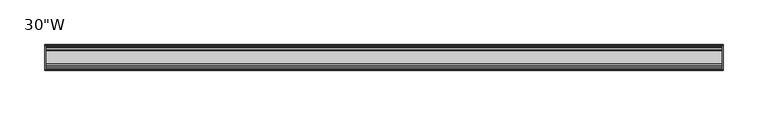
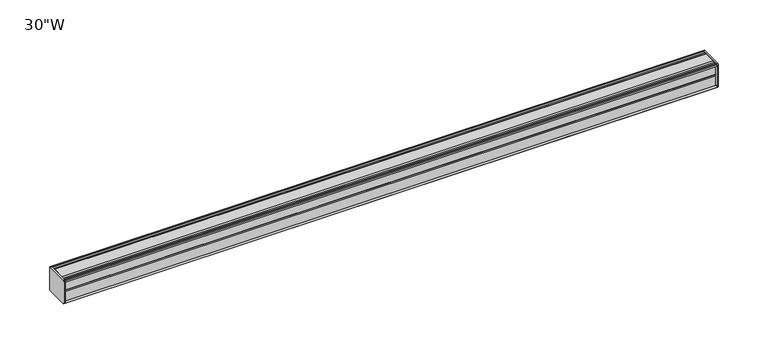
"""IFC4 building model written with IfcOpenShell, lengths in millimetres: furniture geometry."""

import ifcopenshell
import ifcopenshell.guid

model = None  # the IFC model being written
_history = None  # IfcOwnerHistory: only IFC2X3 demands one
_inside = {}  # id of a spatial element -> (the spatial element, [elements in it])
_under = {}  # id of a project, library or spatial element -> (it, [spatial elements below it])
_declared = {}  # id of a project -> (the project, [libraries it declares])
_typed = {}  # id of a type object -> (the type object, [elements of that type])
_made_of = {}  # id of a material, layer set ... -> (it, [elements and type objects made of it])


def new_model(schema):
    """Start an empty IFC model of exactly this schema.

    Asked for "IFC4X3", IfcOpenShell would pick the latest addendum, in which some entities
    have other attributes; the version numbers below select the first issue.
    IFC2X3 requires an IfcOwnerHistory on every rooted entity: one is made here for all.
    """
    global model, _history
    if schema == "IFC4X3":
        model = ifcopenshell.file(schema_version=(4, 3, 0, 0))
    else:
        model = ifcopenshell.file(schema=schema)
    _inside.clear()
    _under.clear()
    _declared.clear()
    _typed.clear()
    _made_of.clear()
    _history = None
    if model.schema == "IFC2X3":
        org = make("IfcOrganization", Name="unknown")
        user = make(
            "IfcPersonAndOrganization",
            ThePerson=make("IfcPerson", FamilyName="unknown"),
            TheOrganization=org,
        )
        app = make(
            "IfcApplication",
            ApplicationDeveloper=org,
            Version="unknown",
            ApplicationFullName="unknown",
            ApplicationIdentifier="unknown",
        )
        _history = make(
            "IfcOwnerHistory",
            OwningUser=user,
            OwningApplication=app,
            ChangeAction="ADDED",
            CreationDate=0,
        )
    return model


def make(cls, **values):
    """One entity of the class cls with the attributes given. An attribute that is None is left unset."""
    return model.create_entity(
        cls, **{name: value for name, value in values.items() if value is not None}
    )


def rooted(cls, **values):
    """An entity with a GlobalId (a new one), such as an element, a storey or a relation."""
    return make(cls, GlobalId=ifcopenshell.guid.new(), OwnerHistory=_history, **values)


def si_unit(unit_type, name, prefix=None):
    """IfcSIUnit, for example si_unit("LENGTHUNIT", "METRE", prefix="MILLI")."""
    return make("IfcSIUnit", UnitType=unit_type, Prefix=prefix, Name=name)


def assignment(units):
    """IfcUnitAssignment: the units of a project."""
    return None if units is None else make("IfcUnitAssignment", Units=units)


def point(xyz):
    """IfcCartesianPoint."""
    return None if xyz is None else make("IfcCartesianPoint", Coordinates=xyz)


def direction(xyz):
    """IfcDirection."""
    return None if xyz is None else make("IfcDirection", DirectionRatios=xyz)


def frame(location, z_axis=None, x_axis=None):
    """IfcAxis2Placement3D, a coordinate frame: its origin and axes. An axis left out is left unset."""
    return make(
        "IfcAxis2Placement3D",
        Location=point(location),
        Axis=direction(z_axis),
        RefDirection=direction(x_axis),
    )


def origin():
    """The frame at (0, 0, 0) with its axes left unset."""
    return frame((0.0, 0.0, 0.0))


def place(relative_to, where):
    """IfcLocalPlacement: puts the frame where relative to a parent placement (None: the world)."""
    return make(
        "IfcLocalPlacement", PlacementRelTo=relative_to, RelativePlacement=where
    )


def context(
    kind, dimensions, precision=None, world=None, true_north=None, identifier=None
):
    """IfcGeometricRepresentationContext, for example the 3D "Model" context."""
    return make(
        "IfcGeometricRepresentationContext",
        ContextIdentifier=identifier,
        ContextType=kind,
        CoordinateSpaceDimension=dimensions,
        Precision=precision,
        WorldCoordinateSystem=world,
        TrueNorth=true_north,
    )


def project(units=None, contexts=None):
    """IfcProject with its units and contexts."""
    return rooted(
        "IfcProject",
        Name="project",
        RepresentationContexts=contexts,
        UnitsInContext=assignment(units),
    )


def spatial(cls, under=None, at=None, **own):
    """A site, building, storey or space (cls), placed at a placement, below another one or the project."""
    s = rooted(cls, ObjectPlacement=at, **own)
    if under is not None:
        _under.setdefault(under.id(), (under, []))[1].append(s)
    return s


def circle_curve(where, radius):
    """IfcCircle in the frame where."""
    return make("IfcCircle", Position=where, Radius=radius)


def shape(context_of_items, identifier, shape_type, items):
    """IfcShapeRepresentation: the items that make up one representation, for example the "Body"."""
    return make(
        "IfcShapeRepresentation",
        ContextOfItems=context_of_items,
        RepresentationIdentifier=identifier,
        RepresentationType=shape_type,
        Items=items,
    )


def source(mapping_origin, context_of_items, identifier, shape_type, items):
    """IfcRepresentationMap: a shape defined once, which mapped items show again and again."""
    return make(
        "IfcRepresentationMap",
        MappingOrigin=mapping_origin,
        MappedRepresentation=shape(context_of_items, identifier, shape_type, items),
    )


def transform(
    local_origin,
    x_axis=None,
    y_axis=None,
    z_axis=None,
    scale=None,
    scale2=None,
    scale3=None,
    uniform=True,
):
    """IfcCartesianTransformationOperator3D, or its non-uniform kind. x_axis, y_axis, z_axis: its Axis1, 2, 3."""
    if uniform:
        return make(
            "IfcCartesianTransformationOperator3D",
            Axis1=direction(x_axis),
            Axis2=direction(y_axis),
            LocalOrigin=point(local_origin),
            Scale=scale,
            Axis3=direction(z_axis),
        )
    return make(
        "IfcCartesianTransformationOperator3DnonUniform",
        Axis1=direction(x_axis),
        Axis2=direction(y_axis),
        LocalOrigin=point(local_origin),
        Scale=scale,
        Axis3=direction(z_axis),
        Scale2=scale2,
        Scale3=scale3,
    )


def mapped(mapping_source, mapping_target):
    """IfcMappedItem: shows the shape of a source again, moved by a transform."""
    return make(
        "IfcMappedItem", MappingSource=mapping_source, MappingTarget=mapping_target
    )


def made_of(thing, what):
    """Note that an element or type object is made of a material, layer set ...; save() writes the relation."""
    if what is not None:
        _made_of.setdefault(what.id(), (what, []))[1].append(thing)
    return thing


def element(
    cls,
    number,
    at=None,
    inside=None,
    cuts=None,
    type_object=None,
    material=None,
    context=None,
    identifier="Body",
    shape_type=None,
    held_by="IfcProductDefinitionShape",
    body=None,
    shapes=None,
    **own,
):
    """One element of the class cls, such as IfcWall. Its Tag is "e" and its number.

    at: its placement. inside: the storey or other place that contains it. cuts: it is an
    opening in that element (IfcRelVoidsElement). A single representation is given by context,
    identifier, shape_type and body (its items); several are given by shapes. held_by: the class
    of the entity that holds the representations. save() writes the other relations.
    """
    e = rooted(cls, Tag="e%d" % number, ObjectPlacement=at, **own)
    if body is not None:
        shapes = [shape(context, identifier, shape_type, body)]
    if shapes is not None:
        e.Representation = make(held_by, Representations=shapes)
    if inside is not None:
        _inside.setdefault(inside.id(), (inside, []))[1].append(e)
    if cuts is not None:
        rooted(
            "IfcRelVoidsElement", RelatingBuildingElement=cuts, RelatedOpeningElement=e
        )
    if type_object is not None:
        _typed.setdefault(type_object.id(), (type_object, []))[1].append(e)
    return made_of(e, material)


def aggregate(whole, parts):
    """IfcRelAggregates: a whole, such as a stair, and the parts it consists of."""
    return rooted("IfcRelAggregates", RelatingObject=whole, RelatedObjects=parts)


def save(model, path):
    """Write the relations noted so far, then the file.

    IfcRelAggregates (storeys below a building ...), IfcRelContainedInSpatialStructure (elements
    in a storey), IfcRelDefinesByType, IfcRelAssociatesMaterial and IfcRelDeclares: one each for
    every whole, place, type object, material and project.
    """
    for whole, parts in _under.values():
        aggregate(whole, parts)
    for where, things in _inside.values():
        rooted(
            "IfcRelContainedInSpatialStructure",
            RelatedElements=things,
            RelatingStructure=where,
        )
    for kind, things in _typed.values():
        rooted("IfcRelDefinesByType", RelatedObjects=things, RelatingType=kind)
    for what, things in _made_of.values():
        rooted("IfcRelAssociatesMaterial", RelatedObjects=things, RelatingMaterial=what)
    for by, libraries in _declared.values():
        rooted("IfcRelDeclares", RelatingContext=by, RelatedDefinitions=libraries)
    model.write(path)


def plane_surface(at):
    """IfcPlane: the flat surface through the origin of the frame at, square to its z axis."""
    return make("IfcPlane", Position=at)


def cylinder_surface(at, radius):
    """IfcCylindricalSurface: all points at the distance radius from the z axis of the frame at."""
    return make("IfcCylindricalSurface", Position=at, Radius=radius)


def advanced_brep(points, edges, surfaces, faces):
    """IfcAdvancedBrep: a solid bounded by faces that lie on surfaces and meet in shared edges.

    An edge is (start, end): straight between two places in points (the first is 0);
    or (start, end, curve); or (start, end, curve, False) where it runs against its curve.
    A face is (place in surfaces, loops), or (place, loops, False) where it looks against
    its surface's normal. A loop lists edges by number (the first is 1), with a minus sign
    where the edge is run from its end to its start. The first loop is the outer one.
    """
    corners = [point(p) for p in points]
    vertices = [make("IfcVertexPoint", VertexGeometry=c) for c in corners]
    made = []
    for start, end, *more in edges:
        made.append(
            make(
                "IfcEdgeCurve",
                EdgeStart=vertices[start],
                EdgeEnd=vertices[end],
                EdgeGeometry=more[0] if more else make("IfcPolyline", Points=[corners[start], corners[end]]),
                SameSense=more[1] if len(more) > 1 else True,
            )
        )
    hull = []
    for where, loops, *sense in faces:
        bounds = []
        for j, loop in enumerate(loops):
            ring = [make("IfcOrientedEdge", EdgeElement=made[abs(k) - 1], Orientation=k > 0) for k in loop]
            bounds.append(
                make(
                    "IfcFaceOuterBound" if j == 0 else "IfcFaceBound",
                    Bound=make("IfcEdgeLoop", EdgeList=ring),
                    Orientation=True,
                )
            )
        hull.append(make("IfcAdvancedFace", Bounds=bounds, FaceSurface=surfaces[where], SameSense=sense[0] if sense else True))
    return make("IfcAdvancedBrep", Outer=make("IfcClosedShell", CfsFaces=hull))


def furniture_d90596bb(model_context):
    return source(origin(), model_context, "Body", "AdvancedBrep", [
        advanced_brep(
        [(379.4125, 14.5851562, 1246.9436262), (379.4125, 14.5851562, 1220.7932877), (379.4125, 14.4138595, 1219.9873997), (379.4125, 13.8374434, 1219.4109837), (379.4125, 12.9019306, 1219.1603131), (379.4125, -13.4067434, 1219.1603131), (379.4125, -14.3040014, 1220.0575711), (379.4125, -14.5851563, 1220.8259798), (379.4125, -14.5851563, 1246.7443327), (379.4125, -14.3040014, 1247.5127414), (379.4125, -13.4464303, 1248.3703125), (379.4125, 13.0500437, 1248.3703125), (379.4125, 13.8374434, 1248.1593288), (379.4125, 14.4138595, 1247.5829128), (381.0, 14.6248431, 1246.7955131), (381.0, 14.4138595, 1247.5829128), (381.0, 13.8374434, 1248.1593288), (381.0, 13.0500437, 1248.3703125), (381.0, -13.4464303, 1248.3703125), (381.0, -14.3040014, 1247.5127414), (381.0, -14.5851563, 1246.7443327), (381.0, -14.5851563, 1220.8259798), (381.0, -14.3040014, 1220.0575711), (381.0, -13.4067434, 1219.1603131), (381.0, 12.9019306, 1219.1603131), (381.0, 13.8374434, 1219.4109837), (381.0, 14.4138595, 1219.9873997), (381.0, 14.5851562, 1220.7932877)],
        [
            (0, 1),
            (1, 2),
            (2, 3),
            (3, 4),
            (4, 5),
            (5, 6),
            (6, 7, circle_curve(frame((379.4125, -13.3945313, 1220.8259798), z_axis=(-1.0, 0.0, 0.0), x_axis=(0.0, 1.0, 0.0)), 1.190625)),
            (7, 8),
            (8, 9, circle_curve(frame((379.4125, -13.3945313, 1246.7443327), z_axis=(-1.0, 0.0, 0.0), x_axis=(0.0, 1.0, 0.0)), 1.190625)),
            (9, 10),
            (10, 11),
            (11, 12),
            (12, 13),
            (13, 0),
            (14, 15),
            (15, 16),
            (16, 17),
            (17, 18),
            (18, 19),
            (19, 20, circle_curve(frame((381.0, -13.3945313, 1246.7443327), z_axis=(1.0, 0.0, 0.0), x_axis=(0.0, 1.0, 0.0)), 1.190625)),
            (20, 21),
            (21, 22, circle_curve(frame((381.0, -13.3945313, 1220.8259798), z_axis=(1.0, 0.0, 0.0), x_axis=(0.0, 1.0, 0.0)), 1.190625)),
            (22, 23),
            (23, 24),
            (24, 25),
            (25, 26),
            (26, 27),
            (27, 14),
            (13, 15),
            (14, 0),
            (12, 16),
            (11, 17),
            (10, 18),
            (9, 19),
            (8, 20),
            (7, 21),
            (6, 22),
            (5, 23),
            (4, 24),
            (3, 25),
            (2, 26),
            (1, 27),
        ],
        [
            plane_surface(frame((379.4125, 14.5851562, 1220.7932877), z_axis=(-1.0, 0.0, 0.0), x_axis=(0.0, 0.0, -1.0))),
            plane_surface(frame((381.0, 14.5851562, 1220.7932877), z_axis=(1.0, 0.0, 0.0), x_axis=(0.0, 0.0, 1.0))),
            plane_surface(frame((379.4125, 14.4138595, 1247.5829128), z_axis=(0.0, 0.9659256560349851, 0.25881968049857335), x_axis=(1.0, 0.0, 0.0))),
            plane_surface(frame((379.4125, 13.8374434, 1248.1593288), z_axis=(0.0, 0.7071067811866345, 0.7071067811864606), x_axis=(1.0, 0.0, 0.0))),
            plane_surface(frame((379.4125, 13.0500437, 1248.3703125), z_axis=(0.0, 0.2588196804711877, 0.9659256560423232), x_axis=(1.0, 0.0, 0.0))),
            plane_surface(frame((379.4125, -13.4464303, 1248.3703125), z_axis=(0.0, 0.0, 1.0), x_axis=(1.0, 0.0, 0.0))),
            plane_surface(frame((379.4125, -14.3040014, 1247.5127414), z_axis=(0.0, -0.70710678117674, 0.7071067811963553), x_axis=(1.0, 0.0, 0.0))),
            cylinder_surface(frame((381.0, -13.3945313, 1246.7443327), z_axis=(-1.0, 0.0, 0.0), x_axis=(0.0, 1.0, 0.0)), 1.190625),
            plane_surface(frame((379.4125, -14.5851563, 1220.8259798), z_axis=(0.0, -1.0, 0.0), x_axis=(1.0, 0.0, 0.0))),
            cylinder_surface(frame((381.0, -13.3945313, 1220.8259798), z_axis=(-1.0, 0.0, 0.0), x_axis=(0.0, 1.0, 0.0)), 1.190625),
            plane_surface(frame((379.4125, -13.4067434, 1219.1603131), z_axis=(0.0, -0.7071067811916553, -0.7071067811814398), x_axis=(1.0, 0.0, 0.0))),
            plane_surface(frame((379.4125, 12.9019306, 1219.1603131), z_axis=(0.0, 0.0, -1.0), x_axis=(1.0, 0.0, 0.0))),
            plane_surface(frame((379.4125, 13.8374434, 1219.4109837), z_axis=(0.0, 0.2588196804985645, -0.9659256560349875), x_axis=(1.0, 0.0, 0.0))),
            plane_surface(frame((379.4125, 14.4138595, 1219.9873997), z_axis=(0.0, 0.7071067811865204, -0.7071067811865748), x_axis=(1.0, 0.0, 0.0))),
            plane_surface(frame((379.4125, 14.5851562, 1220.7932877), z_axis=(0.0, 0.9781476007310527, -0.207911690830711), x_axis=(1.0, 0.0, 0.0))),
            plane_surface(frame((379.4125, 14.5851562, 1246.9436262), z_axis=(0.0, 1.0, 0.0), x_axis=(1.0, 0.0, 0.0))),
        ],
        [
            (0, [[1, 2, 3, 4, 5, 6, 7, 8, 9, 10, 11, 12, 13, 14]]),
            (1, [[15, 16, 17, 18, 19, 20, 21, 22, 23, 24, 25, 26, 27, 28]]),
            (2, [[-14, 29, -15, 30]]),
            (3, [[-13, 31, -16, -29]]),
            (4, [[-12, 32, -17, -31]]),
            (5, [[-11, 33, -18, -32]]),
            (6, [[-10, 34, -19, -33]]),
            (7, [[-9, 35, -20, -34]]),
            (8, [[-8, 36, -21, -35]]),
            (9, [[-7, 37, -22, -36]]),
            (10, [[-6, 38, -23, -37]]),
            (11, [[-5, 39, -24, -38]]),
            (12, [[-4, 40, -25, -39]]),
            (13, [[-3, 41, -26, -40]]),
            (14, [[-2, 42, -27, -41]]),
            (15, [[-1, -30, -28, -42]]),
        ],
    ),
        advanced_brep(
        [(-379.4125, 14.6248431, 1246.7955131), (-379.4125, 14.4138595, 1247.5829128), (-379.4125, 13.8374434, 1248.1593288), (-379.4125, 13.0500437, 1248.3703125), (-379.4125, -13.4464303, 1248.3703125), (-379.4125, -14.3040014, 1247.5127414), (-379.4125, -14.5851563, 1246.7443327), (-379.4125, -14.5851563, 1220.8259798), (-379.4125, -14.3040014, 1220.0575711), (-379.4125, -13.4067434, 1219.1603131), (-379.4125, 12.9019306, 1219.1603131), (-379.4125, 13.8374434, 1219.4109837), (-379.4125, 14.4138595, 1219.9873997), (-379.4125, 14.5851562, 1220.7932877), (-381.0, 14.5851562, 1246.9436262), (-381.0, 14.5851562, 1220.7932877), (-381.0, 14.4138595, 1219.9873997), (-381.0, 13.8374434, 1219.4109837), (-381.0, 12.9019306, 1219.1603131), (-381.0, -13.4067434, 1219.1603131), (-381.0, -14.3040014, 1220.0575711), (-381.0, -14.5851563, 1220.8259798), (-381.0, -14.5851563, 1246.7443327), (-381.0, -14.3040014, 1247.5127414), (-381.0, -13.4464303, 1248.3703125), (-381.0, 13.0500437, 1248.3703125), (-381.0, 13.8374434, 1248.1593288), (-381.0, 14.4138595, 1247.5829128)],
        [
            (0, 1),
            (1, 2),
            (2, 3),
            (3, 4),
            (4, 5),
            (5, 6, circle_curve(frame((-379.4125, -13.3945313, 1246.7443327), z_axis=(1.0, 0.0, 0.0), x_axis=(0.0, 1.0, 0.0)), 1.190625)),
            (6, 7),
            (7, 8, circle_curve(frame((-379.4125, -13.3945313, 1220.8259798), z_axis=(1.0, 0.0, 0.0), x_axis=(0.0, 1.0, 0.0)), 1.190625)),
            (8, 9),
            (9, 10),
            (10, 11),
            (11, 12),
            (12, 13),
            (13, 0),
            (14, 15),
            (15, 16),
            (16, 17),
            (17, 18),
            (18, 19),
            (19, 20),
            (20, 21, circle_curve(frame((-381.0, -13.3945313, 1220.8259798), z_axis=(-1.0, 0.0, 0.0), x_axis=(0.0, 1.0, 0.0)), 1.190625)),
            (21, 22),
            (22, 23, circle_curve(frame((-381.0, -13.3945313, 1246.7443327), z_axis=(-1.0, 0.0, 0.0), x_axis=(0.0, 1.0, 0.0)), 1.190625)),
            (23, 24),
            (24, 25),
            (25, 26),
            (26, 27),
            (27, 14),
            (0, 14),
            (27, 1),
            (26, 2),
            (25, 3),
            (24, 4),
            (23, 5),
            (22, 6),
            (21, 7),
            (20, 8),
            (19, 9),
            (18, 10),
            (17, 11),
            (16, 12),
            (15, 13),
        ],
        [
            plane_surface(frame((-379.4125, 14.6248431, 1246.7955131), z_axis=(1.0, 0.0, 0.0), x_axis=(0.0, -0.2588196804389644, 0.9659256560509574))),
            plane_surface(frame((-381.0, 14.6248431, 1246.7955131), z_axis=(-1.0, 0.0, 0.0), x_axis=(0.0, 0.2588196804389644, -0.9659256560509574))),
            plane_surface(frame((-379.4125, 14.6248431, 1246.7955131), z_axis=(0.0, 0.9659256560509574, 0.2588196804389644), x_axis=(-1.0, 0.0, 0.0))),
            plane_surface(frame((-379.4125, 14.4138595, 1247.5829128), z_axis=(0.0, 0.7071067810674612, 0.7071067813056339), x_axis=(-1.0, 0.0, 0.0))),
            plane_surface(frame((-379.4125, 13.8374434, 1248.1593288), z_axis=(0.0, 0.2588196804841774, 0.9659256560388426), x_axis=(-1.0, 0.0, 0.0))),
            plane_surface(frame((-379.4125, 13.0500437, 1248.3703125), z_axis=(0.0, 0.0, 1.0), x_axis=(-1.0, 0.0, 0.0))),
            plane_surface(frame((-379.4125, -13.4464303, 1248.3703125), z_axis=(0.0, -0.7071067811883577, 0.7071067811847374), x_axis=(-1.0, 0.0, 0.0))),
            cylinder_surface(frame((-381.0, -13.3945313, 1246.7443327), z_axis=(1.0, 0.0, 0.0), x_axis=(0.0, 1.0, 0.0)), 1.190625),
            plane_surface(frame((-379.4125, -14.5851563, 1246.7443327), z_axis=(0.0, -1.0, 0.0), x_axis=(-1.0, 0.0, 0.0))),
            cylinder_surface(frame((-381.0, -13.3945313, 1220.8259798), z_axis=(1.0, 0.0, 0.0), x_axis=(0.0, 1.0, 0.0)), 1.190625),
            plane_surface(frame((-379.4125, -14.3040014, 1220.0575711), z_axis=(0.0, -0.707106781186535, -0.7071067811865601), x_axis=(-1.0, 0.0, 0.0))),
            plane_surface(frame((-379.4125, -13.4067434, 1219.1603131), z_axis=(0.0, 0.0, -1.0), x_axis=(-1.0, 0.0, 0.0))),
            plane_surface(frame((-379.4125, 12.9019306, 1219.1603131), z_axis=(0.0, 0.25881968049856513, -0.9659256560349874), x_axis=(-1.0, 0.0, 0.0))),
            plane_surface(frame((-379.4125, 13.8374434, 1219.4109837), z_axis=(0.0, 0.707106781186519, -0.7071067811865761), x_axis=(-1.0, 0.0, 0.0))),
            plane_surface(frame((-379.4125, 14.4138595, 1219.9873997), z_axis=(0.0, 0.9781476007314348, -0.20791169082891317), x_axis=(-1.0, 0.0, 0.0))),
            plane_surface(frame((-379.4125, 14.5851562, 1220.7932877), z_axis=(0.0, 1.0, 0.0), x_axis=(-1.0, 0.0, 0.0))),
        ],
        [
            (0, [[1, 2, 3, 4, 5, 6, 7, 8, 9, 10, 11, 12, 13, 14]]),
            (1, [[15, 16, 17, 18, 19, 20, 21, 22, 23, 24, 25, 26, 27, 28]]),
            (2, [[-1, 29, -28, 30]]),
            (3, [[-2, -30, -27, 31]]),
            (4, [[-3, -31, -26, 32]]),
            (5, [[-4, -32, -25, 33]]),
            (6, [[-5, -33, -24, 34]]),
            (7, [[-6, -34, -23, 35]]),
            (8, [[-7, -35, -22, 36]]),
            (9, [[-8, -36, -21, 37]]),
            (10, [[-9, -37, -20, 38]]),
            (11, [[-10, -38, -19, 39]]),
            (12, [[-11, -39, -18, 40]]),
            (13, [[-12, -40, -17, 41]]),
            (14, [[-13, -41, -16, 42]]),
            (15, [[-14, -42, -15, -29]]),
        ],
    ),
        advanced_brep(
        [(379.4125, -7.3748315, 1248.3703125), (379.4125, -8.9105708, 1247.3395796), (379.4125, -10.7601399, 1247.3395796), (379.4125, -12.2958792, 1248.3703125), (379.4125, -13.4464303, 1248.3703125), (379.4125, -14.3040014, 1247.5127414), (379.4125, -13.3945313, 1245.5537077), (379.4125, -13.3945313, 1246.465312), (379.4125, -12.2039063, 1246.465312), (379.4125, -12.2039063, 1234.5590632), (379.4125, -11.4101564, 1233.7653134), (379.4125, -12.2039063, 1232.9715636), (379.4125, -12.2039063, 1221.0653131), (379.4125, -13.3945313, 1221.0653131), (379.4125, -13.3945313, 1222.0166048), (379.4125, -14.3040014, 1220.0575711), (379.4125, -13.4067434, 1219.1603131), (379.4125, -12.2958792, 1219.1603131), (379.4125, -10.7601399, 1220.1910471), (379.4125, -8.9105708, 1220.1910471), (379.4125, -7.4339628, 1219.2), (379.4125, 7.4145184, 1219.2), (379.4125, 8.9502576, 1220.2307329), (379.4125, 10.7998291, 1220.2307329), (379.4125, 12.2275037, 1219.2), (379.4125, 13.0500437, 1219.2), (379.4125, 13.8374434, 1219.4109837), (379.4125, 14.4138595, 1219.9873997), (379.4125, 14.5851562, 1220.7932877), (379.4125, 14.5851562, 1246.9436262), (379.4125, 14.4138595, 1247.5829128), (379.4125, 13.8374434, 1248.1593288), (379.4125, 13.0500437, 1248.3703125), (379.4125, 12.2275037, 1248.3703125), (379.4125, 10.7998291, 1247.3395796), (379.4125, 8.9502576, 1247.3395796), (379.4125, 7.4145184, 1248.3703125), (-379.4125, -7.3748315, 1248.3703125), (-379.4125, 7.4145184, 1248.3703125), (-379.4125, 8.9502576, 1247.3395796), (-379.4125, 10.7998291, 1247.3395796), (-379.4125, 12.2275037, 1248.3703125), (-379.4125, 13.0500437, 1248.3703125), (-379.4125, 13.8374434, 1248.1593288), (-379.4125, 14.4138595, 1247.5829128), (-379.4125, 14.6248431, 1246.7955131), (-379.4125, 14.5851562, 1220.7932877), (-379.4125, 14.4138595, 1219.9873997), (-379.4125, 13.8374434, 1219.4109837), (-379.4125, 13.0500437, 1219.2), (-379.4125, 12.2275037, 1219.2), (-379.4125, 10.7998291, 1220.2307329), (-379.4125, 8.9502576, 1220.2307329), (-379.4125, 7.4145184, 1219.2), (-379.4125, -7.4339628, 1219.2), (-379.4125, -8.9105708, 1220.1910471), (-379.4125, -10.7601399, 1220.1910471), (-379.4125, -12.2958792, 1219.1603131), (-379.4125, -13.4067434, 1219.1603131), (-379.4125, -14.3040014, 1220.0575711), (-379.4125, -13.3945313, 1222.0166048), (-379.4125, -13.3945313, 1221.0653131), (-379.4125, -12.2039063, 1221.0653131), (-379.4125, -12.2039063, 1232.9715636), (-379.4125, -11.4101564, 1233.7653134), (-379.4125, -12.2039063, 1234.5590632), (-379.4125, -12.2039063, 1246.465312), (-379.4125, -13.3945313, 1246.465312), (-379.4125, -13.3945313, 1245.5537077), (-379.4125, -14.3040014, 1247.5127414), (-379.4125, -13.4464303, 1248.3703125), (-379.4125, -12.2958792, 1248.3703125), (-379.4125, -10.7601399, 1247.3395796), (-379.4125, -8.9105708, 1247.3395796)],
        [
            (0, 1),
            (1, 2),
            (2, 3),
            (3, 4),
            (4, 5),
            (5, 6, circle_curve(frame((379.4125, -13.3945313, 1246.7443327), z_axis=(1.0, 0.0, 0.0), x_axis=(0.0, 1.0, 0.0)), 1.190625)),
            (6, 7),
            (7, 8),
            (8, 9),
            (9, 10),
            (10, 11),
            (11, 12),
            (12, 13),
            (13, 14),
            (14, 15, circle_curve(frame((379.4125, -13.3945313, 1220.8259798), z_axis=(1.0, 0.0, 0.0), x_axis=(0.0, 1.0, 0.0)), 1.190625)),
            (15, 16),
            (16, 17),
            (17, 18),
            (18, 19),
            (19, 20),
            (20, 21),
            (21, 22),
            (22, 23),
            (23, 24),
            (24, 25),
            (25, 26),
            (26, 27),
            (27, 28),
            (28, 29),
            (29, 30),
            (30, 31),
            (31, 32),
            (32, 33),
            (33, 34),
            (34, 35),
            (35, 36),
            (36, 0),
            (37, 38),
            (38, 39),
            (39, 40),
            (40, 41),
            (41, 42),
            (42, 43),
            (43, 44),
            (44, 45),
            (45, 46),
            (46, 47),
            (47, 48),
            (48, 49),
            (49, 50),
            (50, 51),
            (51, 52),
            (52, 53),
            (53, 54),
            (54, 55),
            (55, 56),
            (56, 57),
            (57, 58),
            (58, 59),
            (59, 60, circle_curve(frame((-379.4125, -13.3945313, 1220.8259798), z_axis=(-1.0, 0.0, 0.0), x_axis=(0.0, 1.0, 0.0)), 1.190625)),
            (60, 61),
            (61, 62),
            (62, 63),
            (63, 64),
            (64, 65),
            (65, 66),
            (66, 67),
            (67, 68),
            (68, 69, circle_curve(frame((-379.4125, -13.3945313, 1246.7443327), z_axis=(-1.0, 0.0, 0.0), x_axis=(0.0, 1.0, 0.0)), 1.190625)),
            (69, 70),
            (70, 71),
            (71, 72),
            (72, 73),
            (73, 37),
            (0, 37),
            (73, 1),
            (72, 2),
            (71, 3),
            (70, 4),
            (69, 5),
            (68, 6),
            (67, 7),
            (66, 8),
            (65, 9),
            (64, 10),
            (63, 11),
            (62, 12),
            (61, 13),
            (60, 14),
            (59, 15),
            (58, 16),
            (57, 17),
            (56, 18),
            (55, 19),
            (54, 20),
            (53, 21),
            (52, 22),
            (51, 23),
            (50, 24),
            (49, 25),
            (48, 26),
            (47, 27),
            (46, 28),
            (45, 29),
            (44, 30),
            (43, 31),
            (42, 32),
            (41, 33),
            (40, 34),
            (39, 35),
            (38, 36),
        ],
        [
            plane_surface(frame((379.4125, -7.3748315, 1248.3703125), z_axis=(1.0, 0.0, 0.0), x_axis=(0.0, -0.8303227972603312, -0.5572827400429506))),
            plane_surface(frame((-379.4125, -7.3748315, 1248.3703125), z_axis=(-1.0, 0.0, 0.0), x_axis=(0.0, 0.8303227972603312, 0.5572827400429506))),
            plane_surface(frame((379.4125, -7.3748315, 1248.3703125), z_axis=(0.0, -0.5572827400429506, 0.8303227972603312), x_axis=(-1.0, 0.0, 0.0))),
            plane_surface(frame((379.4125, -8.9105708, 1247.3395796), z_axis=(0.0, 0.0, 1.0), x_axis=(-1.0, 0.0, 0.0))),
            plane_surface(frame((379.4125, -10.7601399, 1247.3395796), z_axis=(0.0, 0.557282740042951, 0.8303227972603311), x_axis=(-1.0, 0.0, 0.0))),
            plane_surface(frame((379.4125, -12.2958792, 1248.3703125), z_axis=(0.0, 0.0, 1.0), x_axis=(-1.0, 0.0, 0.0))),
            plane_surface(frame((379.4125, -13.4464303, 1248.3703125), z_axis=(0.0, -0.7071067811814327, 0.7071067811916624), x_axis=(-1.0, 0.0, 0.0))),
            cylinder_surface(frame((-379.4125, -13.3945313, 1246.7443327), z_axis=(1.0, 0.0, 0.0), x_axis=(0.0, 1.0, 0.0)), 1.190625),
            plane_surface(frame((379.4125, -13.3945313, 1245.5537077), z_axis=(0.0, 1.0, 0.0), x_axis=(-1.0, 0.0, 0.0))),
            plane_surface(frame((379.4125, -13.3945313, 1246.465312), z_axis=(0.0, 0.0, -1.0), x_axis=(-1.0, 0.0, 0.0))),
            plane_surface(frame((379.4125, -12.2039063, 1246.465312), z_axis=(0.0, -1.0, 0.0), x_axis=(-1.0, 0.0, 0.0))),
            plane_surface(frame((379.4125, -12.2039063, 1234.5590632), z_axis=(0.0, -0.7071067811865146, -0.7071067811865805), x_axis=(-1.0, 0.0, 0.0))),
            plane_surface(frame((379.4125, -11.4101564, 1233.7653134), z_axis=(0.0, -0.7071067811865522, 0.7071067811865428), x_axis=(-1.0, 0.0, 0.0))),
            plane_surface(frame((379.4125, -12.2039063, 1232.9715636), z_axis=(0.0, -1.0, 0.0), x_axis=(-1.0, 0.0, 0.0))),
            plane_surface(frame((379.4125, -12.2039063, 1221.0653131), z_axis=(0.0, 0.0, 1.0), x_axis=(-1.0, 0.0, 0.0))),
            plane_surface(frame((379.4125, -13.3945313, 1221.0653131), z_axis=(0.0, 1.0, 0.0), x_axis=(-1.0, 0.0, 0.0))),
            cylinder_surface(frame((-379.4125, -13.3945313, 1220.8259798), z_axis=(1.0, 0.0, 0.0), x_axis=(0.0, 1.0, 0.0)), 1.190625),
            plane_surface(frame((379.4125, -14.3040014, 1220.0575711), z_axis=(0.0, -0.7071067811865901, -0.707106781186505), x_axis=(-1.0, 0.0, 0.0))),
            plane_surface(frame((379.4125, -13.4067434, 1219.1603131), z_axis=(0.0, 0.0, -1.0), x_axis=(-1.0, 0.0, 0.0))),
            plane_surface(frame((379.4125, -12.2958792, 1219.1603131), z_axis=(0.0, 0.5572831632988446, -0.8303225131860712), x_axis=(-1.0, 0.0, 0.0))),
            plane_surface(frame((379.4125, -10.7601399, 1220.1910471), z_axis=(0.0, 0.0, -1.0), x_axis=(-1.0, 0.0, 0.0))),
            plane_surface(frame((379.4125, -8.9105708, 1220.1910471), z_axis=(0.0, -0.5572831633036728, -0.8303225131828307), x_axis=(-1.0, 0.0, 0.0))),
            plane_surface(frame((379.4125, -7.4339628, 1219.2), z_axis=(0.0, 0.0, -1.0), x_axis=(-1.0, 0.0, 0.0))),
            plane_surface(frame((379.4125, 7.4145184, 1219.2), z_axis=(0.0, 0.5572827400522353, -0.8303227972540997), x_axis=(-1.0, 0.0, 0.0))),
            plane_surface(frame((379.4125, 8.9502576, 1220.2307329), z_axis=(0.0, 0.0, -1.0), x_axis=(-1.0, 0.0, 0.0))),
            plane_surface(frame((379.4125, 10.7998291, 1220.2307329), z_axis=(0.0, -0.5853541342124147, -0.8107777362264177), x_axis=(-1.0, 0.0, 0.0))),
            plane_surface(frame((379.4125, 12.2275037, 1219.2), z_axis=(0.0, 0.0, -1.0), x_axis=(-1.0, 0.0, 0.0))),
            plane_surface(frame((379.4125, 13.0500437, 1219.2), z_axis=(0.0, 0.2588196804985639, -0.9659256560349877), x_axis=(-1.0, 0.0, 0.0))),
            plane_surface(frame((379.4125, 13.8374434, 1219.4109837), z_axis=(0.0, 0.7071067811865592, -0.7071067811865358), x_axis=(-1.0, 0.0, 0.0))),
            plane_surface(frame((379.4125, 14.4138595, 1219.9873997), z_axis=(0.0, 0.9781476007314349, -0.20791169082891267), x_axis=(-1.0, 0.0, 0.0))),
            plane_surface(frame((379.4125, 14.5851562, 1220.7932877), z_axis=(0.0, 1.0, 0.0), x_axis=(-1.0, 0.0, 0.0))),
            plane_surface(frame((379.4125, 14.6248431, 1246.7955131), z_axis=(0.0, 0.9659256560510241, 0.2588196804387156), x_axis=(-1.0, 0.0, 0.0))),
            plane_surface(frame((379.4125, 14.4138595, 1247.5829128), z_axis=(0.0, 0.7071067810668268, 0.7071067813062683), x_axis=(-1.0, 0.0, 0.0))),
            plane_surface(frame((379.4125, 13.8374434, 1248.1593288), z_axis=(0.0, 0.2588196804843108, 0.9659256560388069), x_axis=(-1.0, 0.0, 0.0))),
            plane_surface(frame((379.4125, 13.0500437, 1248.3703125), z_axis=(0.0, 0.0, 1.0), x_axis=(-1.0, 0.0, 0.0))),
            plane_surface(frame((379.4125, 12.2275037, 1248.3703125), z_axis=(0.0, -0.5853541342077658, 0.810777736229774), x_axis=(-1.0, 0.0, 0.0))),
            plane_surface(frame((379.4125, 10.7998291, 1247.3395796), z_axis=(0.0, 0.0, 1.0), x_axis=(-1.0, 0.0, 0.0))),
            plane_surface(frame((379.4125, 8.9502576, 1247.3395796), z_axis=(0.0, 0.557282740042951, 0.8303227972603311), x_axis=(-1.0, 0.0, 0.0))),
            plane_surface(frame((379.4125, 7.4145184, 1248.3703125), z_axis=(0.0, 0.0, 1.0), x_axis=(-1.0, 0.0, 0.0))),
        ],
        [
            (0, [[1, 2, 3, 4, 5, 6, 7, 8, 9, 10, 11, 12, 13, 14, 15, 16, 17, 18, 19, 20, 21, 22, 23, 24, 25, 26, 27, 28, 29, 30, 31, 32, 33, 34, 35, 36, 37]]),
            (1, [[38, 39, 40, 41, 42, 43, 44, 45, 46, 47, 48, 49, 50, 51, 52, 53, 54, 55, 56, 57, 58, 59, 60, 61, 62, 63, 64, 65, 66, 67, 68, 69, 70, 71, 72, 73, 74]]),
            (2, [[-1, 75, -74, 76]]),
            (3, [[-2, -76, -73, 77]]),
            (4, [[-3, -77, -72, 78]]),
            (5, [[-4, -78, -71, 79]]),
            (6, [[-5, -79, -70, 80]]),
            (7, [[-6, -80, -69, 81]]),
            (8, [[-7, -81, -68, 82]]),
            (9, [[-8, -82, -67, 83]]),
            (10, [[-9, -83, -66, 84]]),
            (11, [[-10, -84, -65, 85]]),
            (12, [[-11, -85, -64, 86]]),
            (13, [[-12, -86, -63, 87]]),
            (14, [[-13, -87, -62, 88]]),
            (15, [[-14, -88, -61, 89]]),
            (16, [[-15, -89, -60, 90]]),
            (17, [[-16, -90, -59, 91]]),
            (18, [[-17, -91, -58, 92]]),
            (19, [[-18, -92, -57, 93]]),
            (20, [[-19, -93, -56, 94]]),
            (21, [[-20, -94, -55, 95]]),
            (22, [[-21, -95, -54, 96]]),
            (23, [[-22, -96, -53, 97]]),
            (24, [[-23, -97, -52, 98]]),
            (25, [[-24, -98, -51, 99]]),
            (26, [[-25, -99, -50, 100]]),
            (27, [[-26, -100, -49, 101]]),
            (28, [[-27, -101, -48, 102]]),
            (29, [[-28, -102, -47, 103]]),
            (30, [[-29, -103, -46, 104]]),
            (31, [[-30, -104, -45, 105]]),
            (32, [[-31, -105, -44, 106]]),
            (33, [[-32, -106, -43, 107]]),
            (34, [[-33, -107, -42, 108]]),
            (35, [[-34, -108, -41, 109]]),
            (36, [[-35, -109, -40, 110]]),
            (37, [[-36, -110, -39, 111]]),
            (38, [[-37, -111, -38, -75]]),
        ],
    ),
    ])


if __name__ == "__main__":
    model = new_model("IFC4")
    model_context = context("Model", 3, world=origin())
    ifc_project = project(units=[si_unit("LENGTHUNIT", "METRE", prefix="MILLI")], contexts=[model_context])
    site = spatial("IfcSite", under=ifc_project)
    building = spatial("IfcBuilding", under=site)
    placement = place(None, origin())
    furniture_shape = furniture_d90596bb(model_context)
    element("IfcFurniture", 1, ObjectType="30\"W", at=placement, inside=building, context=model_context, shape_type="MappedRepresentation", body=[
        mapped(furniture_shape, transform((0.0, 0.0, 0.0), x_axis=(1.0, 0.0, 0.0), y_axis=(0.0, 1.0, 0.0), z_axis=(0.0, 0.0, 1.0))),
    ])
    save(model, "model.ifc")
